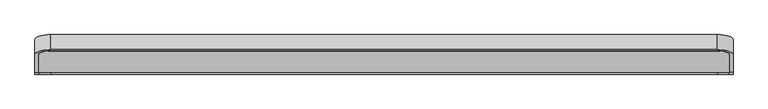
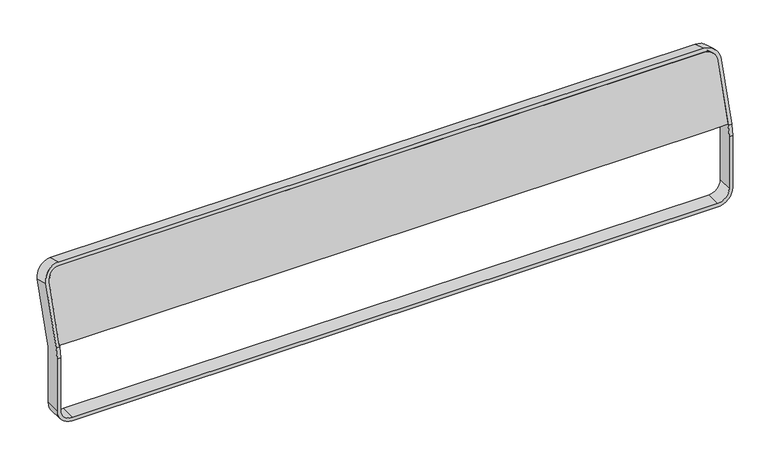
"""IFC4 building model written with IfcOpenShell, lengths in millimetres: furniture geometry."""

from ifc_helpers import new_model, si_unit, point, frame, frame_2d, origin, place, context, project, spatial, polyline, circle_curve, trimmed, segment, composite_curve, outline, extrude, source, transform, mapped, element, save
from ifc_brep_helpers import plane_surface, cylinder_surface, revolved_surface, advanced_brep


def furniture_6b7bced7(model_context):
    return source(origin(), model_context, "Body", "SolidModel", [
        extrude(outline(composite_curve([segment(polyline([(40.0, 0.0), (1494.0, 0.0), (1534.0, 0.0), (1534.0, -136.0)]), True, "CONTINUOUS"), segment(trimmed(circle_curve(frame_2d((1507.0, -136.0)), 27.0), [point((1534.0, -136.0))], [point((1507.0, -163.0))], False, "CARTESIAN"), True, "CONTINUOUS"), segment(polyline([(1507.0, -163.0), (27.0, -163.0)]), True, "CONTINUOUS"), segment(trimmed(circle_curve(frame_2d((27.0, -136.0)), 27.0), [point((27.0, -163.0))], [point((0.0, -136.0))], False, "CARTESIAN"), True, "CONTINUOUS"), segment(polyline([(0.0, -136.0), (0.0, 0.0), (40.0, 0.0)]), True, "CONTINUOUS")], self_intersect=False)), frame((767.0, 176.3666786, 628.490238), z_axis=(0.0, -0.9563047559630502, 0.2923717047226889), x_axis=(-1.0, 0.0, 0.0)), (0.0, 0.0, 1.0), 35.0),
        advanced_brep(
        [(-740.0, 138.5, 450.0), (-775.0, 138.5, 485.0), (-775.0, 173.5, 485.0), (-740.0, 173.5, 450.0), (-740.0, 173.5, 458.0), (-767.0, 173.5, 485.0), (-767.0, 138.5, 485.0), (-740.0, 138.5, 458.0), (740.0, 173.5, 450.0), (740.0, 138.5, 450.0), (740.0, 138.5, 458.0), (740.0, 173.5, 458.0), (775.0, 138.5, 485.0), (775.0, 173.5, 485.0), (767.0, 173.5, 485.0), (767.0, 138.5, 485.0), (775.0, 173.5, 611.6412048), (775.0, 175.6847622, 626.25979), (775.0, 216.1292304, 758.5476848), (775.0, 182.658564, 768.7806944), (775.0, 142.2140957, 636.4927997), (775.0, 138.5, 611.6412048), (767.0, 138.5, 611.6412048), (767.0, 142.2140957, 636.4927997), (767.0, 182.658564, 768.7806944), (767.0, 216.1292304, 758.5476848), (767.0, 175.6847622, 626.25979), (767.0, 173.5, 611.6412048), (740.0, 224.0232664, 784.3679132), (-740.0, 224.0232664, 784.3679132), (-767.0, 216.1292304, 758.5476848), (-767.0, 175.6847622, 626.25979), (-775.0, 175.6847622, 626.25979), (-775.0, 216.1292304, 758.5476848), (-740.0, 226.3622401, 792.0183512), (740.0, 226.3622401, 792.0183512), (740.0, 192.8915736, 802.2513609), (-740.0, 192.8915736, 802.2513609), (-775.0, 182.658564, 768.7806944), (-775.0, 142.2140957, 636.4927997), (-767.0, 142.2140957, 636.4927997), (-767.0, 182.658564, 768.7806944), (-740.0, 190.5526, 794.6009229), (740.0, 190.5526, 794.6009229), (-775.0, 173.5, 611.6412048), (-775.0, 138.5, 611.6412048), (-767.0, 138.5, 611.6412048), (-767.0, 173.5, 611.6412048)],
        [
            (0, 1, circle_curve(frame((-740.0, 138.5, 485.0), z_axis=(0.0, 1.0, 0.0), x_axis=(-1.0, 0.0, 0.0)), 35.0)),
            (1, 2),
            (2, 3, circle_curve(frame((-740.0, 173.5, 485.0), z_axis=(0.0, -1.0, 0.0), x_axis=(-1.0, 0.0, 0.0)), 35.0)),
            (3, 0),
            (4, 5, circle_curve(frame((-740.0, 173.5, 485.0), z_axis=(0.0, 1.0, 0.0), x_axis=(-1.0, 0.0, 0.0)), 27.0)),
            (5, 6),
            (6, 7, circle_curve(frame((-740.0, 138.5, 485.0), z_axis=(0.0, -1.0, 0.0), x_axis=(-1.0, 0.0, 0.0)), 27.0)),
            (7, 4),
            (3, 8),
            (8, 9),
            (9, 0),
            (7, 10),
            (10, 11),
            (11, 4),
            (12, 9, circle_curve(frame((740.0, 138.5, 485.0), z_axis=(0.0, 1.0, 0.0), x_axis=(0.0, 0.0, -1.0)), 35.0)),
            (8, 13, circle_curve(frame((740.0, 173.5, 485.0), z_axis=(0.0, -1.0, 0.0), x_axis=(0.0, 0.0, -1.0)), 35.0)),
            (13, 12),
            (14, 11, circle_curve(frame((740.0, 173.5, 485.0), z_axis=(0.0, 1.0, 0.0), x_axis=(0.0, 0.0, -1.0)), 27.0)),
            (10, 15, circle_curve(frame((740.0, 138.5, 485.0), z_axis=(0.0, -1.0, 0.0), x_axis=(0.0, 0.0, -1.0)), 27.0)),
            (15, 14),
            (13, 16),
            (16, 17, circle_curve(frame((775.0, 223.5, 611.6412048), z_axis=(-1.0, 0.0, 0.0), x_axis=(0.0, -1.0, 0.0)), 50.0)),
            (17, 18),
            (18, 19),
            (19, 20),
            (20, 21, circle_curve(frame((775.0, 223.5, 611.6412048), z_axis=(1.0, 0.0, 0.0), x_axis=(0.0, -1.0, 0.0)), 85.0)),
            (21, 12),
            (15, 22),
            (22, 23, circle_curve(frame((767.0, 223.5, 611.6412048), z_axis=(-1.0, 0.0, 0.0), x_axis=(0.0, -1.0, 0.0)), 85.0)),
            (23, 24),
            (24, 25),
            (25, 26),
            (26, 27, circle_curve(frame((767.0, 223.5, 611.6412048), z_axis=(1.0, 0.0, 0.0), x_axis=(0.0, -1.0, 0.0)), 50.0)),
            (27, 14),
            (16, 27),
            (26, 17),
            (22, 21),
            (20, 23),
            (25, 28, circle_curve(frame((740.0, 216.1292304, 758.5476848), z_axis=(0.0, -0.9563047559631727, 0.29237170472228824), x_axis=(1.0, 0.0, 0.0)), 27.0)),
            (28, 29),
            (29, 30, circle_curve(frame((-740.0, 216.1292304, 758.5476848), z_axis=(0.0, -0.9563047559631699, 0.2923717047222971), x_axis=(0.0, 0.2923717047222971, 0.9563047559631699)), 27.0)),
            (30, 31),
            (31, 32),
            (32, 33),
            (33, 34, circle_curve(frame((-740.0, 216.1292304, 758.5476848), z_axis=(0.0, 0.9563047559631699, -0.2923717047222971), x_axis=(0.0, 0.2923717047222971, 0.9563047559631699)), 35.0)),
            (34, 35),
            (35, 18, circle_curve(frame((740.0, 216.1292304, 758.5476848), z_axis=(0.0, 0.9563047559631727, -0.29237170472228824), x_axis=(1.0, 0.0, 0.0)), 35.0)),
            (19, 36, circle_curve(frame((740.0, 182.658564, 768.7806944), z_axis=(0.0, -0.9563047559631727, 0.29237170472228824), x_axis=(1.0, 0.0, 0.0)), 35.0)),
            (36, 37),
            (37, 38, circle_curve(frame((-740.0, 182.658564, 768.7806944), z_axis=(0.0, -0.9563047559631699, 0.2923717047222971), x_axis=(0.0, 0.2923717047222971, 0.9563047559631699)), 35.0)),
            (38, 39),
            (39, 40),
            (40, 41),
            (41, 42, circle_curve(frame((-740.0, 182.658564, 768.7806944), z_axis=(0.0, 0.9563047559631699, -0.2923717047222971), x_axis=(0.0, 0.2923717047222971, 0.9563047559631699)), 27.0)),
            (42, 43),
            (43, 24, circle_curve(frame((740.0, 182.658564, 768.7806944), z_axis=(0.0, 0.9563047559631727, -0.29237170472228824), x_axis=(1.0, 0.0, 0.0)), 27.0)),
            (35, 36),
            (43, 28),
            (34, 37),
            (42, 29),
            (33, 38),
            (41, 30),
            (32, 44, circle_curve(frame((-775.0, 223.5, 611.6412048), z_axis=(1.0, 0.0, 0.0), x_axis=(0.0, -0.9563047559630931, 0.2923717047225485)), 50.0)),
            (44, 2),
            (1, 45),
            (45, 39, circle_curve(frame((-775.0, 223.5, 611.6412048), z_axis=(-1.0, 0.0, 0.0), x_axis=(0.0, -0.9563047559630931, 0.2923717047225485)), 85.0)),
            (40, 46, circle_curve(frame((-767.0, 223.5, 611.6412048), z_axis=(1.0, 0.0, 0.0), x_axis=(0.0, -0.9563047559630931, 0.2923717047225485)), 85.0)),
            (46, 6),
            (5, 47),
            (47, 31, circle_curve(frame((-767.0, 223.5, 611.6412048), z_axis=(-1.0, 0.0, 0.0), x_axis=(0.0, -0.9563047559630931, 0.2923717047225485)), 50.0)),
            (47, 44),
            (45, 46),
        ],
        [
            cylinder_surface(frame((-740.0, 138.5, 485.0), z_axis=(0.0, -1.0, 0.0), x_axis=(-1.0, 0.0, 0.0)), 35.0),
            revolved_surface(polyline([(-767.0, 138.5, 485.0), (-767.0, 173.5, 485.0)]), (-740.0, 138.5, 485.0), (0.0, -1.0, 0.0)),
            plane_surface(frame((-740.0, 173.5, 450.0), z_axis=(0.0, 0.0, -1.0), x_axis=(1.0, 0.0, 0.0))),
            plane_surface(frame((-740.0, 138.5, 458.0), z_axis=(0.0, 0.0, 1.0), x_axis=(1.0, 0.0, 0.0))),
            cylinder_surface(frame((740.0, 138.5, 485.0), z_axis=(0.0, -1.0, 0.0), x_axis=(0.0, 0.0, -1.0)), 35.0),
            revolved_surface(polyline([(740.0, 138.5, 458.0), (740.0, 173.5, 458.0)]), (740.0, 138.5, 485.0), (0.0, -1.0, 0.0)),
            plane_surface(frame((775.0, 173.5, 485.0), z_axis=(1.0, 0.0, 0.0), x_axis=(0.0, 0.0, 1.0))),
            plane_surface(frame((767.0, 138.5, 485.0), z_axis=(-1.0, 0.0, 0.0), x_axis=(0.0, 0.0, 1.0))),
            revolved_surface(polyline([(767.0, 173.5, 611.6412048), (775.0, 173.5, 611.6412048)]), (775.0, 223.5, 611.6412048), (-1.0, 0.0, 0.0)),
            cylinder_surface(frame((775.0, 223.5, 611.6412048), z_axis=(-1.0, 0.0, 0.0), x_axis=(0.0, -1.0, 0.0)), 85.0),
            plane_surface(frame((767.0, 175.6847622, 626.25979), z_axis=(0.0, 0.9563047559630332, -0.29237170472274426), x_axis=(0.0, 0.29237170472274426, 0.9563047559630332))),
            plane_surface(frame((775.0, 142.2140957, 636.4927997), z_axis=(0.0, -0.9563047559630332, 0.2923717047227445), x_axis=(0.0, 0.2923717047227445, 0.9563047559630332))),
            cylinder_surface(frame((740.0, 182.658564, 768.7806944), z_axis=(0.0, -0.9563047559631727, 0.29237170472228824), x_axis=(1.0, 0.0, 0.0)), 35.0),
            revolved_surface(polyline([(767.0, 182.6585639499666, 768.7806944152968), (767.0, 216.12923038676666, 758.5476847567155)]), (740.0, 182.658564, 768.7806944), (0.0, -0.9563047559631727, 0.29237170472228824)),
            plane_surface(frame((740.0, 226.3622401, 792.0183512), z_axis=(0.0, 0.2923717047223099, 0.9563047559631661), x_axis=(-1.0, 0.0, 0.0))),
            plane_surface(frame((740.0, 190.5526, 794.6009229), z_axis=(0.0, -0.2923717047223099, -0.9563047559631661), x_axis=(-1.0, 0.0, 0.0))),
            cylinder_surface(frame((-740.0, 182.658564, 768.7806944), z_axis=(0.0, -0.9563047559631699, 0.2923717047222971), x_axis=(0.0, 0.2923717047222971, 0.9563047559631699)), 35.0),
            revolved_surface(polyline([(-740.0, 190.5525999774684, 794.6009228263024), (-740.0, 224.02326641426856, 784.3679131677209)]), (-740.0, 182.658564, 768.7806944), (0.0, -0.9563047559631699, 0.2923717047222971)),
            plane_surface(frame((-775.0, 216.1292304, 758.5476848), z_axis=(-1.0, 0.0, 0.0), x_axis=(0.0, -0.2923717047227441, -0.9563047559630332))),
            plane_surface(frame((-767.0, 182.658564, 768.7806944), z_axis=(1.0000000000000002, 0.0, 0.0), x_axis=(0.0, -0.29237170472274404, -0.9563047559630333))),
            revolved_surface(polyline([(-767.0, 175.68476220184533, 626.2597900361274), (-775.0, 175.68476220184533, 626.2597900361274)]), (-775.0, 223.5, 611.6412048), (1.0, 0.0, 0.0)),
            cylinder_surface(frame((-775.0, 223.5, 611.6412048), z_axis=(1.0, 0.0, 0.0), x_axis=(0.0, -0.9563047559630931, 0.2923717047225485)), 85.0),
            plane_surface(frame((-767.0, 173.5, 611.6412048), z_axis=(0.0, 1.0, 0.0), x_axis=(0.0, 0.0, -1.0))),
            plane_surface(frame((-775.0, 138.5, 611.6412048), z_axis=(0.0, -1.0, 0.0), x_axis=(0.0, 0.0, -1.0))),
        ],
        [
            (0, [[1, 2, 3, 4]]),
            (1, [[5, 6, 7, 8]]),
            (2, [[-4, 9, 10, 11]]),
            (3, [[-8, 12, 13, 14]]),
            (4, [[15, -10, 16, 17]]),
            (5, [[18, -13, 19, 20]]),
            (6, [[-17, 21, 22, 23, 24, 25, 26, 27]]),
            (7, [[-20, 28, 29, 30, 31, 32, 33, 34]]),
            (8, [[-22, 35, -33, 36]]),
            (9, [[-29, 37, -26, 38]]),
            (10, [[-36, -32, 39, 40, 41, 42, 43, 44, 45, 46, 47, -23]]),
            (11, [[-38, -25, 48, 49, 50, 51, 52, 53, 54, 55, 56, -30]]),
            (12, [[-48, -24, -47, 57]]),
            (13, [[-39, -31, -56, 58]]),
            (14, [[-57, -46, 59, -49]]),
            (15, [[-58, -55, 60, -40]]),
            (16, [[-50, -59, -45, 61]]),
            (17, [[-41, -60, -54, 62]]),
            (18, [[-61, -44, 63, 64, -2, 65, 66, -51]]),
            (19, [[-62, -53, 67, 68, -6, 69, 70, -42]]),
            (20, [[-63, -43, -70, 71]]),
            (21, [[-67, -52, -66, 72]]),
            (22, [[-71, -69, -5, -14, -18, -34, -35, -21, -16, -9, -3, -64]]),
            (23, [[-72, -65, -1, -11, -15, -27, -37, -28, -19, -12, -7, -68]]),
        ],
    ),
    ])


if __name__ == "__main__":
    model = new_model("IFC4")
    model_context = context("Model", 3, world=origin())
    ifc_project = project(units=[si_unit("LENGTHUNIT", "METRE", prefix="MILLI")], contexts=[model_context])
    site = spatial("IfcSite", under=ifc_project)
    building = spatial("IfcBuilding", under=site)
    placement = place(None, origin())
    furniture_shape = furniture_6b7bced7(model_context)
    element("IfcFurniture", 1, at=placement, inside=building, context=model_context, shape_type="MappedRepresentation", body=[
        mapped(furniture_shape, transform((0.0, 0.0, 0.0), x_axis=(1.0, 0.0, 0.0), y_axis=(0.0, 1.0, 0.0), z_axis=(0.0, 0.0, 1.0))),
    ])
    save(model, "model.ifc")
